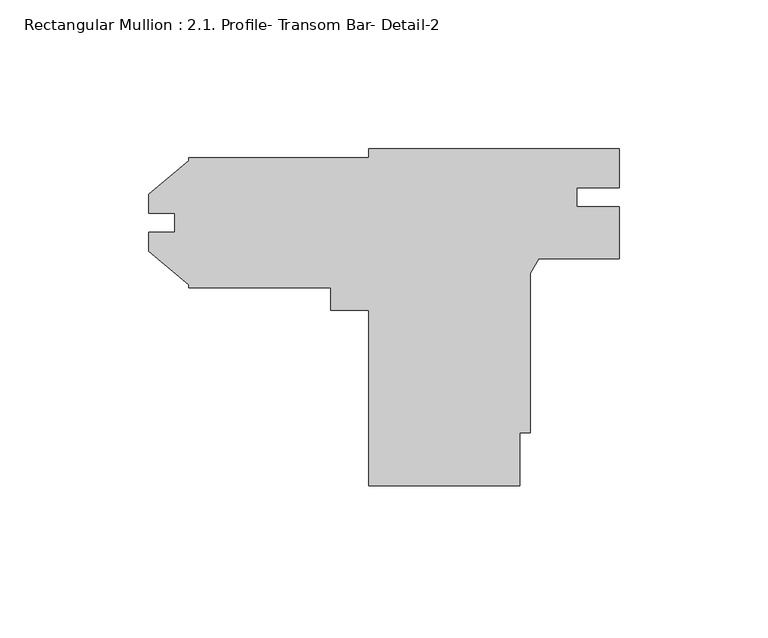
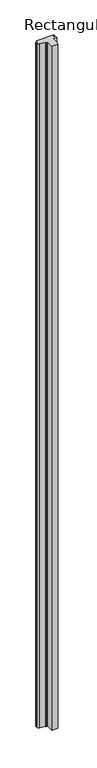
"""IFC4 building model written with IfcOpenShell, lengths in millimetres: member geometry, Rectangular Mullion : 2.1. Profile- Transom Bar- Detail-2."""

from ifc_helpers import new_model, si_unit, frame, origin, place, context, project, spatial, polyline, outline, extrude, source, transform, mapped, element, save


def rectangular_mullion_2_1_profile_transom_bar_detail_2_c1be6596(model_context):
    return source(origin(), model_context, "Body", "SweptSolid", [
        extrude(outline(polyline([(25.4, -37.8660553), (25.4, -55.6474313), (-25.4, -55.6474313), (-25.4, 3.2551687), (-38.1, 3.2551687), (-38.1, 10.7481687), (-85.725, 10.7481687), (-85.725, 11.8146755), (-99.187, 23.1106347), (-99.187, 29.4809133), (-90.5002, 29.4809133), (-90.5002, 35.8253028), (-99.187, 35.8253028), (-99.187, 42.1753028), (-85.725, 53.471262), (-85.725, 54.5377687), (-25.4, 54.5377687), (-25.4, 57.4333688), (58.7362808, 57.4333688), (58.7362808, 44.3955747), (44.45, 44.3955747), (44.45, 38.0455747), (58.7375, 38.0455747), (58.7375, 20.5881807), (31.75, 20.5881807), (28.9005843, 15.6415951), (28.9005843, -37.8660553), (25.4, -37.8660553)])), frame((0.0, 0.0, -5994.4000041), z_axis=(0.0, 0.0, 1.0), x_axis=(1.0, 0.0, 0.0)), (0.0, 0.0, 1.0), 5994.4000041),
    ])


if __name__ == "__main__":
    model = new_model("IFC4")
    model_context = context("Model", 3, world=origin())
    ifc_project = project(units=[si_unit("LENGTHUNIT", "METRE", prefix="MILLI")], contexts=[model_context])
    site = spatial("IfcSite", under=ifc_project)
    building = spatial("IfcBuilding", under=site)
    placement = place(None, origin())
    rectangular_mullion_2_1_profile_transom_bar_detail_2_shape = rectangular_mullion_2_1_profile_transom_bar_detail_2_c1be6596(model_context)
    element("IfcMember", 1, ObjectType="Rectangular Mullion : 2.1. Profile- Transom Bar- Detail-2", at=placement, inside=building, context=model_context, shape_type="MappedRepresentation", body=[
        mapped(rectangular_mullion_2_1_profile_transom_bar_detail_2_shape, transform((0.0, 0.0, 0.0), x_axis=(1.0, 0.0, 0.0), y_axis=(0.0, 1.0, 0.0), z_axis=(0.0, 0.0, 1.0))),
    ])
    save(model, "model.ifc")
